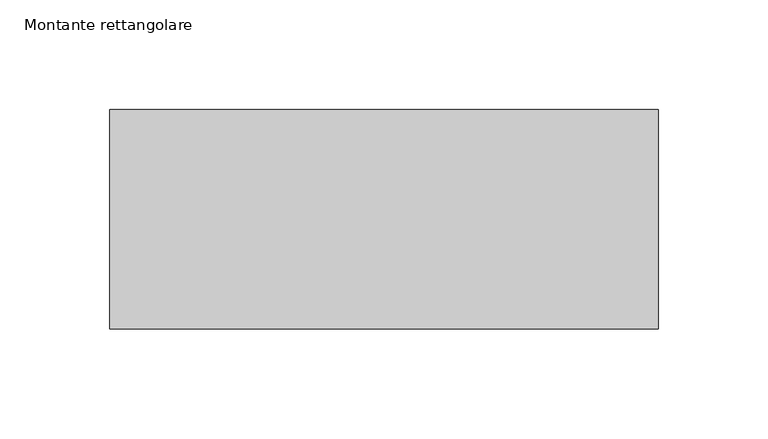
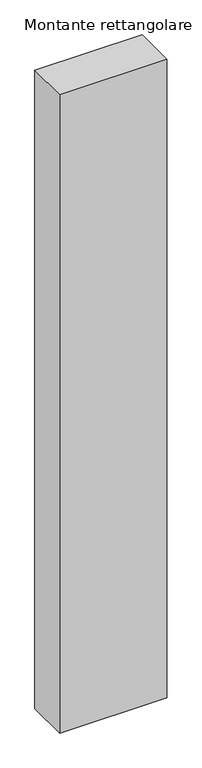
"""IFC4 building model written with IfcOpenShell, lengths in millimetres: member geometry, Montante rettangolare."""

from ifc_helpers import new_model, si_unit, frame, origin, place, context, project, spatial, polyline, outline, extrude, source, transform, mapped, element, save


def montante_rettangolare_820e451c(model_context):
    return source(origin(), model_context, "Body", "SweptSolid", [
        extrude(outline(polyline([(125.0, 50.0), (125.0, -50.0), (-125.0, -50.0), (-125.0, 50.0), (125.0, 50.0)])), frame((0.0, 0.0, -1574.5764037), z_axis=(0.0, 0.0, 1.0), x_axis=(1.0, 0.0, 0.0)), (0.0, 0.0, 1.0), 1574.5764037),
    ])


if __name__ == "__main__":
    model = new_model("IFC4")
    model_context = context("Model", 3, world=origin())
    ifc_project = project(units=[si_unit("LENGTHUNIT", "METRE", prefix="MILLI")], contexts=[model_context])
    site = spatial("IfcSite", under=ifc_project)
    building = spatial("IfcBuilding", under=site)
    placement = place(None, origin())
    montante_rettangolare_shape = montante_rettangolare_820e451c(model_context)
    element("IfcMember", 1, ObjectType="Montante rettangolare", at=placement, inside=building, context=model_context, shape_type="MappedRepresentation", body=[
        mapped(montante_rettangolare_shape, transform((0.0, 0.0, 0.0), x_axis=(1.0, 0.0, 0.0), y_axis=(0.0, 1.0, 0.0), z_axis=(0.0, 0.0, 1.0))),
    ])
    save(model, "model.ifc")
